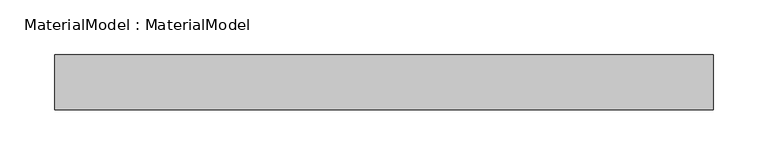
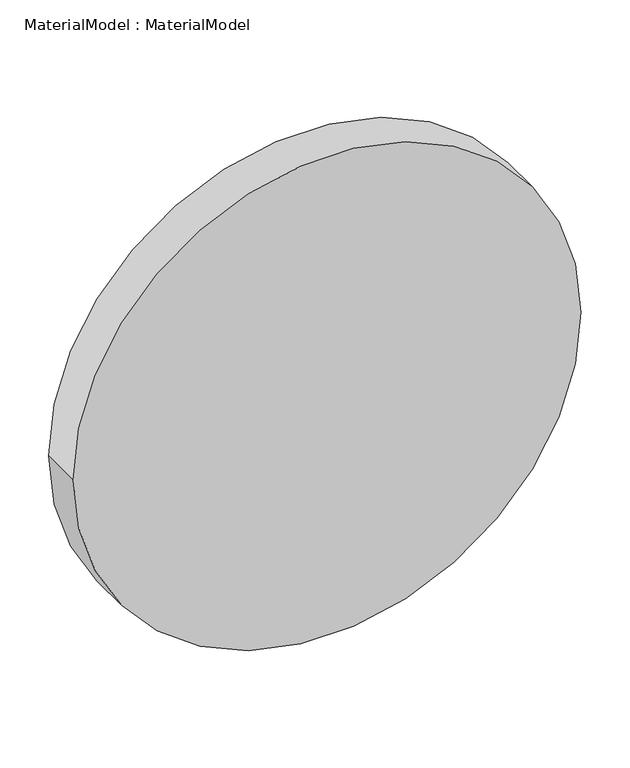
"""IFC4 building model written with IfcOpenShell, lengths in millimetres: proxy geometry, MaterialModel : MaterialModel."""

from ifc_helpers import new_model, si_unit, point, frame, frame_2d, origin, place, context, project, spatial, circle_curve, trimmed, segment, composite_curve, outline, extrude, source, transform, mapped, element, save


def materialmodel_materialmodel_37012b21(model_context):
    return source(origin(), model_context, "Body", "SweptSolid", [
        extrude(outline(composite_curve([segment(trimmed(circle_curve(frame_2d((300.0, 0.0)), 300.0), [point((300.0, -300.0))], [point((300.0, 300.0))], False, "CARTESIAN"), True, "CONTINUOUS"), segment(trimmed(circle_curve(frame_2d((300.0, 0.0)), 300.0), [point((300.0, 300.0))], [point((300.0, -300.0))], False, "CARTESIAN"), True, "CONTINUOUS")], self_intersect=False)), frame((0.0, -50.0, 0.0), z_axis=(0.0, 1.0, 0.0), x_axis=(0.0, 0.0, 1.0)), (0.0, 0.0, 1.0), 50.0),
    ])


if __name__ == "__main__":
    model = new_model("IFC4")
    model_context = context("Model", 3, world=origin())
    ifc_project = project(units=[si_unit("LENGTHUNIT", "METRE", prefix="MILLI")], contexts=[model_context])
    site = spatial("IfcSite", under=ifc_project)
    building = spatial("IfcBuilding", under=site)
    placement = place(None, origin())
    materialmodel_materialmodel_shape = materialmodel_materialmodel_37012b21(model_context)
    element("IfcBuildingElementProxy", 1, Name="MaterialModel : MaterialModel", ObjectType="MaterialModel : MaterialModel", at=placement, inside=building, context=model_context, shape_type="MappedRepresentation", body=[
        mapped(materialmodel_materialmodel_shape, transform((0.0, 0.0, 0.0), x_axis=(1.0, 0.0, 0.0), y_axis=(0.0, 1.0, 0.0), z_axis=(0.0, 0.0, 1.0))),
    ])
    save(model, "model.ifc")
